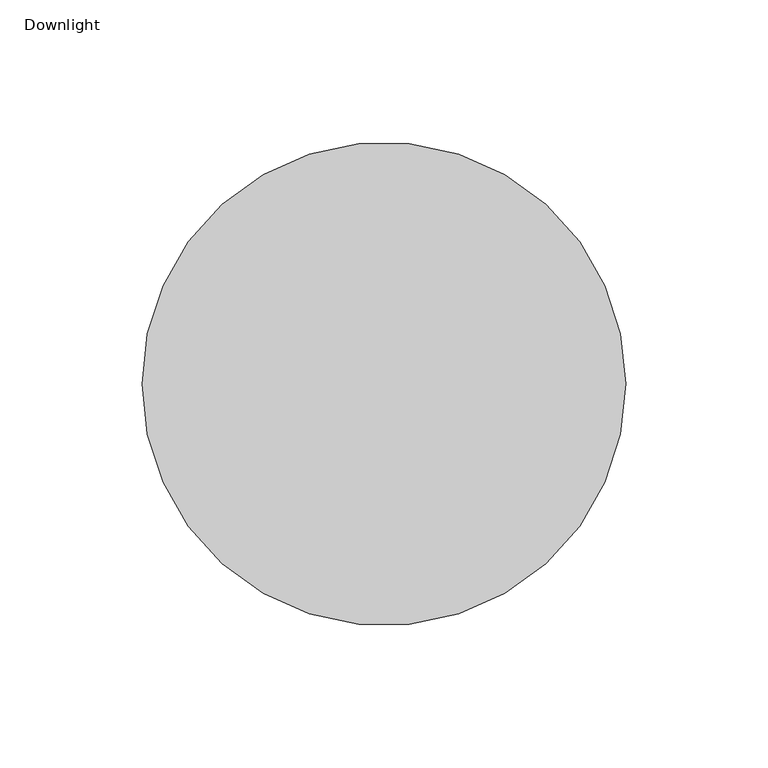
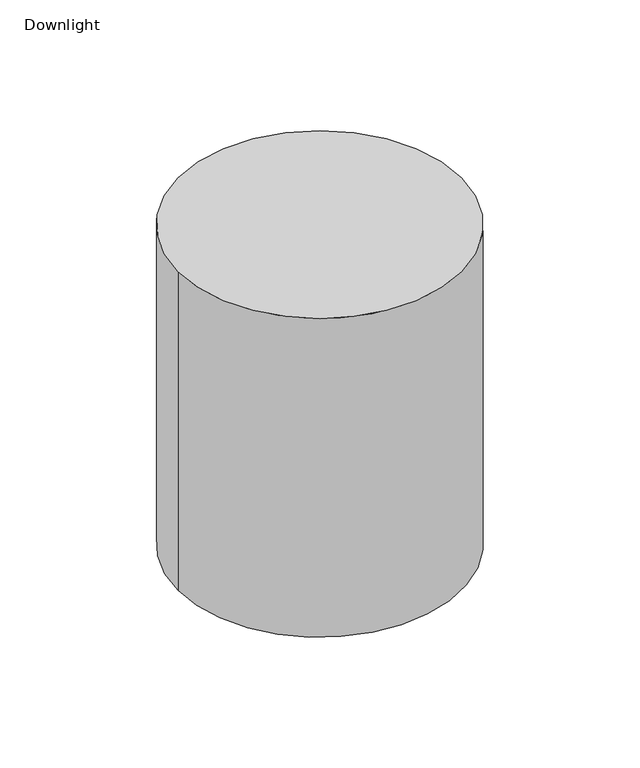
"""IFC4 building model written with IfcOpenShell, lengths in millimetres: light fixture geometry, Downlight."""

from ifc_helpers import new_model, si_unit, frame, origin, origin_with_axes, place, context, project, spatial, polyline, circle_curve, source, transform, mapped, element, save
from ifc_brep_helpers import plane_surface, cylinder_surface, revolved_surface, advanced_brep


def downlight_8568ece1(model_context):
    return source(origin(), model_context, "Body", "AdvancedBrep", [
        advanced_brep(
        [(85.0, 0.0, 202.0), (-85.0, 0.0, 202.0), (85.0, 0.0, 0.0), (-85.0, 0.0, 0.0), (80.0, 0.0, 0.0), (-80.0, 0.0, 0.0), (55.0, 0.0, 21.0), (-55.0, 0.0, 21.0)],
        [
            (0, 1, circle_curve(frame((0.0, 0.0, 202.0), z_axis=(0.0, 0.0, 1.0), x_axis=(-1.0, 0.0, 0.0)), 85.0)),
            (1, 0, circle_curve(frame((0.0, 0.0, 202.0), z_axis=(0.0, 0.0, 1.0), x_axis=(-1.0, 0.0, 0.0)), 85.0)),
            (2, 3, circle_curve(frame((0.0, 0.0, 0.0), z_axis=(0.0, 0.0, -1.0), x_axis=(-1.0, 0.0, 0.0)), 85.0)),
            (3, 2, circle_curve(frame((0.0, 0.0, 0.0), z_axis=(0.0, 0.0, -1.0), x_axis=(-1.0, 0.0, 0.0)), 85.0)),
            (4, 5, circle_curve(origin_with_axes(), 80.0)),
            (5, 4, circle_curve(frame((0.0, 0.0, 0.0), z_axis=(0.0, 0.0, 1.0), x_axis=(-1.0, 0.0, 0.0)), 80.0)),
            (0, 2),
            (3, 1),
            (6, 7, circle_curve(frame((0.0, 0.0, 21.0), z_axis=(0.0, 0.0, -1.0), x_axis=(-1.0, 0.0, 0.0)), 55.0)),
            (7, 6, circle_curve(frame((0.0, 0.0, 21.0), z_axis=(0.0, 0.0, -1.0), x_axis=(1.0, 0.0, 0.0)), 55.0)),
            (7, 5),
            (4, 6),
        ],
        [
            plane_surface(frame((-85.0, 0.0, 202.0), z_axis=(0.0, 0.0, 1.0), x_axis=(0.0, -1.0, 0.0))),
            plane_surface(frame((-85.0, 0.0, 0.0), z_axis=(0.0, 0.0, -1.0), x_axis=(0.0, 1.0, 0.0))),
            cylinder_surface(frame((0.0, 0.0, 0.0), z_axis=(0.0, 0.0, 1.0), x_axis=(-1.0, 0.0, 0.0)), 85.0),
            plane_surface(frame((0.0, 0.0, 21.0), z_axis=(0.0, 0.0, -1.0), x_axis=(0.0, 1.0, 0.0))),
            revolved_surface(polyline([(-80.0, 0.0, 0.0), (-55.0, 0.0, 21.0)]), (0.0, 0.0, 67.2), (0.0, 0.0, -1.0)),
            revolved_surface(polyline([(80.0, 0.0, 0.0), (55.0, 0.0, 21.0)]), (0.0, 0.0, 67.2), (0.0, 0.0, -1.0)),
        ],
        [
            (0, [[1, 2]]),
            (1, [[3, 4], [5, 6]]),
            (2, [[-1, 7, -4, 8]]),
            (2, [[-2, -8, -3, -7]]),
            (3, [[9, 10]]),
            (4, [[-10, 11, -5, 12]]),
            (5, [[-9, -12, -6, -11]]),
        ],
    ),
    ])


if __name__ == "__main__":
    model = new_model("IFC4")
    model_context = context("Model", 3, world=origin())
    ifc_project = project(units=[si_unit("LENGTHUNIT", "METRE", prefix="MILLI")], contexts=[model_context])
    site = spatial("IfcSite", under=ifc_project)
    building = spatial("IfcBuilding", under=site)
    placement = place(None, origin())
    downlight_shape = downlight_8568ece1(model_context)
    element("IfcLightFixture", 1, ObjectType="Downlight", at=placement, inside=building, context=model_context, shape_type="MappedRepresentation", body=[
        mapped(downlight_shape, transform((0.0, 0.0, 0.0), x_axis=(1.0, 0.0, 0.0), y_axis=(0.0, 1.0, 0.0), z_axis=(0.0, 0.0, 1.0))),
    ])
    save(model, "model.ifc")
